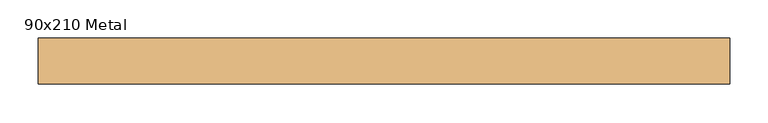
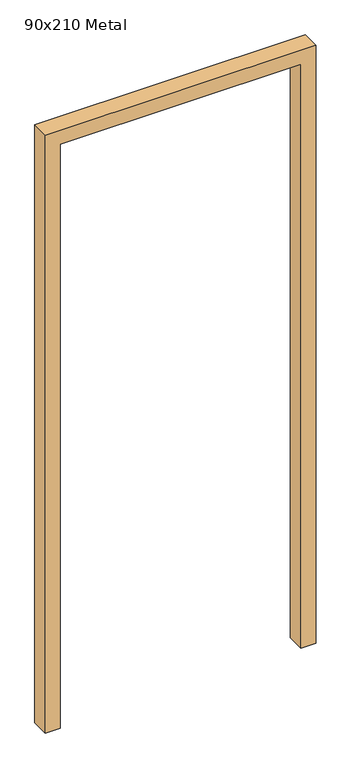
"""IFC4 building model written with IfcOpenShell, lengths in millimetres: door geometry, 90x210 Metal."""

from ifc_helpers import new_model, si_unit, frame, origin, place, context, project, spatial, polyline, outline, extrude, source, transform, mapped, element, save


def door_90x210_metal_de567410(model_context):
    return source(origin(), model_context, "Body", "SweptSolid", [
        extrude(outline(polyline([(2050.0, 400.0), (0.0, 400.0), (0.0, 450.0), (2100.0, 450.0), (2100.0, -450.0), (0.0, -450.0), (0.0, -400.0), (2050.0, -400.0), (2050.0, 400.0)])), frame((0.0, -40.0, 0.0), z_axis=(0.0, 1.0, 0.0), x_axis=(0.0, 0.0, 1.0)), (0.0, 0.0, 1.0), 60.0),
    ])


if __name__ == "__main__":
    model = new_model("IFC4")
    model_context = context("Model", 3, world=origin())
    ifc_project = project(units=[si_unit("LENGTHUNIT", "METRE", prefix="MILLI")], contexts=[model_context])
    site = spatial("IfcSite", under=ifc_project)
    building = spatial("IfcBuilding", under=site)
    placement = place(None, origin())
    door_90x210_metal_shape = door_90x210_metal_de567410(model_context)
    element("IfcDoor", 1, ObjectType="90x210 Metal", at=placement, inside=building, context=model_context, shape_type="MappedRepresentation", body=[
        mapped(door_90x210_metal_shape, transform((0.0, 0.0, 0.0), x_axis=(1.0, 0.0, 0.0), y_axis=(0.0, 1.0, 0.0), z_axis=(0.0, 0.0, 1.0))),
    ])
    save(model, "model.ifc")
